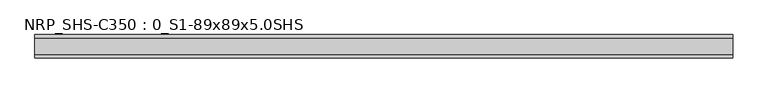
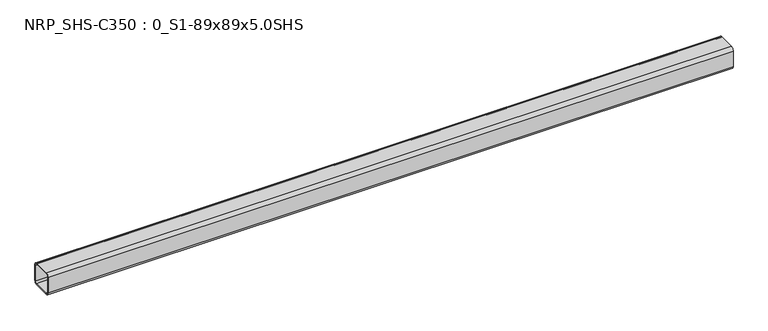
"""IFC4 building model written with IfcOpenShell, lengths in millimetres: beam geometry, NRP_SHS-C350 : 0_S1-89x89x5.0SHS."""

import ifcopenshell
import ifcopenshell.guid

model = None  # the IFC model being written
_history = None  # IfcOwnerHistory: only IFC2X3 demands one
_inside = {}  # id of a spatial element -> (the spatial element, [elements in it])
_under = {}  # id of a project, library or spatial element -> (it, [spatial elements below it])
_declared = {}  # id of a project -> (the project, [libraries it declares])
_typed = {}  # id of a type object -> (the type object, [elements of that type])
_made_of = {}  # id of a material, layer set ... -> (it, [elements and type objects made of it])


def new_model(schema):
    """Start an empty IFC model of exactly this schema.

    Asked for "IFC4X3", IfcOpenShell would pick the latest addendum, in which some entities
    have other attributes; the version numbers below select the first issue.
    IFC2X3 requires an IfcOwnerHistory on every rooted entity: one is made here for all.
    """
    global model, _history
    if schema == "IFC4X3":
        model = ifcopenshell.file(schema_version=(4, 3, 0, 0))
    else:
        model = ifcopenshell.file(schema=schema)
    _inside.clear()
    _under.clear()
    _declared.clear()
    _typed.clear()
    _made_of.clear()
    _history = None
    if model.schema == "IFC2X3":
        org = make("IfcOrganization", Name="unknown")
        user = make(
            "IfcPersonAndOrganization",
            ThePerson=make("IfcPerson", FamilyName="unknown"),
            TheOrganization=org,
        )
        app = make(
            "IfcApplication",
            ApplicationDeveloper=org,
            Version="unknown",
            ApplicationFullName="unknown",
            ApplicationIdentifier="unknown",
        )
        _history = make(
            "IfcOwnerHistory",
            OwningUser=user,
            OwningApplication=app,
            ChangeAction="ADDED",
            CreationDate=0,
        )
    return model


def make(cls, **values):
    """One entity of the class cls with the attributes given. An attribute that is None is left unset."""
    return model.create_entity(
        cls, **{name: value for name, value in values.items() if value is not None}
    )


def rooted(cls, **values):
    """An entity with a GlobalId (a new one), such as an element, a storey or a relation."""
    return make(cls, GlobalId=ifcopenshell.guid.new(), OwnerHistory=_history, **values)


def si_unit(unit_type, name, prefix=None):
    """IfcSIUnit, for example si_unit("LENGTHUNIT", "METRE", prefix="MILLI")."""
    return make("IfcSIUnit", UnitType=unit_type, Prefix=prefix, Name=name)


def assignment(units):
    """IfcUnitAssignment: the units of a project."""
    return None if units is None else make("IfcUnitAssignment", Units=units)


def point(xyz):
    """IfcCartesianPoint."""
    return None if xyz is None else make("IfcCartesianPoint", Coordinates=xyz)


def direction(xyz):
    """IfcDirection."""
    return None if xyz is None else make("IfcDirection", DirectionRatios=xyz)


def frame(location, z_axis=None, x_axis=None):
    """IfcAxis2Placement3D, a coordinate frame: its origin and axes. An axis left out is left unset."""
    return make(
        "IfcAxis2Placement3D",
        Location=point(location),
        Axis=direction(z_axis),
        RefDirection=direction(x_axis),
    )


def frame_2d(location, x_axis=None):
    """IfcAxis2Placement2D, a coordinate frame in the plane: its origin and x axis."""
    return make(
        "IfcAxis2Placement2D", Location=point(location), RefDirection=direction(x_axis)
    )


def origin():
    """The frame at (0, 0, 0) with its axes left unset."""
    return frame((0.0, 0.0, 0.0))


def place(relative_to, where):
    """IfcLocalPlacement: puts the frame where relative to a parent placement (None: the world)."""
    return make(
        "IfcLocalPlacement", PlacementRelTo=relative_to, RelativePlacement=where
    )


def context(
    kind, dimensions, precision=None, world=None, true_north=None, identifier=None
):
    """IfcGeometricRepresentationContext, for example the 3D "Model" context."""
    return make(
        "IfcGeometricRepresentationContext",
        ContextIdentifier=identifier,
        ContextType=kind,
        CoordinateSpaceDimension=dimensions,
        Precision=precision,
        WorldCoordinateSystem=world,
        TrueNorth=true_north,
    )


def project(units=None, contexts=None):
    """IfcProject with its units and contexts."""
    return rooted(
        "IfcProject",
        Name="project",
        RepresentationContexts=contexts,
        UnitsInContext=assignment(units),
    )


def spatial(cls, under=None, at=None, **own):
    """A site, building, storey or space (cls), placed at a placement, below another one or the project."""
    s = rooted(cls, ObjectPlacement=at, **own)
    if under is not None:
        _under.setdefault(under.id(), (under, []))[1].append(s)
    return s


def polyline(points):
    """IfcPolyline through the points."""
    return make("IfcPolyline", Points=[point(p) for p in points])


def circle_curve(where, radius):
    """IfcCircle in the frame where."""
    return make("IfcCircle", Position=where, Radius=radius)


def trimmed(basis, trim1, trim2, sense, master):
    """IfcTrimmedCurve: the piece of a basis curve between two trims."""
    return make(
        "IfcTrimmedCurve",
        BasisCurve=basis,
        Trim1=trim1,
        Trim2=trim2,
        SenseAgreement=sense,
        MasterRepresentation=master,
    )


def segment(curve, same_sense, transition):
    """IfcCompositeCurveSegment."""
    return make(
        "IfcCompositeCurveSegment",
        Transition=transition,
        SameSense=same_sense,
        ParentCurve=curve,
    )


def composite_curve(segments, self_intersect=None):
    """IfcCompositeCurve: segments joined end to end."""
    return make("IfcCompositeCurve", Segments=segments, SelfIntersect=self_intersect)


def outline(outer, holes=None, kind="AREA"):
    """IfcArbitraryClosedProfileDef: a profile drawn as a closed curve; with holes, ...WithVoids."""
    if holes is None:
        return make("IfcArbitraryClosedProfileDef", ProfileType=kind, OuterCurve=outer)
    return make(
        "IfcArbitraryProfileDefWithVoids",
        ProfileType=kind,
        OuterCurve=outer,
        InnerCurves=holes,
    )


def extrude(swept, where, along, depth):
    """IfcExtrudedAreaSolid: the profile swept, set in the frame where, extruded along a direction by depth."""
    return make(
        "IfcExtrudedAreaSolid",
        SweptArea=swept,
        Position=where,
        ExtrudedDirection=direction(along),
        Depth=depth,
    )


def shape(context_of_items, identifier, shape_type, items):
    """IfcShapeRepresentation: the items that make up one representation, for example the "Body"."""
    return make(
        "IfcShapeRepresentation",
        ContextOfItems=context_of_items,
        RepresentationIdentifier=identifier,
        RepresentationType=shape_type,
        Items=items,
    )


def source(mapping_origin, context_of_items, identifier, shape_type, items):
    """IfcRepresentationMap: a shape defined once, which mapped items show again and again."""
    return make(
        "IfcRepresentationMap",
        MappingOrigin=mapping_origin,
        MappedRepresentation=shape(context_of_items, identifier, shape_type, items),
    )


def transform(
    local_origin,
    x_axis=None,
    y_axis=None,
    z_axis=None,
    scale=None,
    scale2=None,
    scale3=None,
    uniform=True,
):
    """IfcCartesianTransformationOperator3D, or its non-uniform kind. x_axis, y_axis, z_axis: its Axis1, 2, 3."""
    if uniform:
        return make(
            "IfcCartesianTransformationOperator3D",
            Axis1=direction(x_axis),
            Axis2=direction(y_axis),
            LocalOrigin=point(local_origin),
            Scale=scale,
            Axis3=direction(z_axis),
        )
    return make(
        "IfcCartesianTransformationOperator3DnonUniform",
        Axis1=direction(x_axis),
        Axis2=direction(y_axis),
        LocalOrigin=point(local_origin),
        Scale=scale,
        Axis3=direction(z_axis),
        Scale2=scale2,
        Scale3=scale3,
    )


def mapped(mapping_source, mapping_target):
    """IfcMappedItem: shows the shape of a source again, moved by a transform."""
    return make(
        "IfcMappedItem", MappingSource=mapping_source, MappingTarget=mapping_target
    )


def made_of(thing, what):
    """Note that an element or type object is made of a material, layer set ...; save() writes the relation."""
    if what is not None:
        _made_of.setdefault(what.id(), (what, []))[1].append(thing)
    return thing


def element(
    cls,
    number,
    at=None,
    inside=None,
    cuts=None,
    type_object=None,
    material=None,
    context=None,
    identifier="Body",
    shape_type=None,
    held_by="IfcProductDefinitionShape",
    body=None,
    shapes=None,
    **own,
):
    """One element of the class cls, such as IfcWall. Its Tag is "e" and its number.

    at: its placement. inside: the storey or other place that contains it. cuts: it is an
    opening in that element (IfcRelVoidsElement). A single representation is given by context,
    identifier, shape_type and body (its items); several are given by shapes. held_by: the class
    of the entity that holds the representations. save() writes the other relations.
    """
    e = rooted(cls, Tag="e%d" % number, ObjectPlacement=at, **own)
    if body is not None:
        shapes = [shape(context, identifier, shape_type, body)]
    if shapes is not None:
        e.Representation = make(held_by, Representations=shapes)
    if inside is not None:
        _inside.setdefault(inside.id(), (inside, []))[1].append(e)
    if cuts is not None:
        rooted(
            "IfcRelVoidsElement", RelatingBuildingElement=cuts, RelatedOpeningElement=e
        )
    if type_object is not None:
        _typed.setdefault(type_object.id(), (type_object, []))[1].append(e)
    return made_of(e, material)


def aggregate(whole, parts):
    """IfcRelAggregates: a whole, such as a stair, and the parts it consists of."""
    return rooted("IfcRelAggregates", RelatingObject=whole, RelatedObjects=parts)


def save(model, path):
    """Write the relations noted so far, then the file.

    IfcRelAggregates (storeys below a building ...), IfcRelContainedInSpatialStructure (elements
    in a storey), IfcRelDefinesByType, IfcRelAssociatesMaterial and IfcRelDeclares: one each for
    every whole, place, type object, material and project.
    """
    for whole, parts in _under.values():
        aggregate(whole, parts)
    for where, things in _inside.values():
        rooted(
            "IfcRelContainedInSpatialStructure",
            RelatedElements=things,
            RelatingStructure=where,
        )
    for kind, things in _typed.values():
        rooted("IfcRelDefinesByType", RelatedObjects=things, RelatingType=kind)
    for what, things in _made_of.values():
        rooted("IfcRelAssociatesMaterial", RelatedObjects=things, RelatingMaterial=what)
    for by, libraries in _declared.values():
        rooted("IfcRelDeclares", RelatingContext=by, RelatedDefinitions=libraries)
    model.write(path)


def nrp_shs_c350_0_s1_89x89x5_0shs_6f3d85fd(model_context):
    return source(origin(), model_context, "Body", "SweptSolid", [
        extrude(outline(composite_curve([segment(polyline([(44.5, 32.0), (44.5, -32.0)]), True, "CONTINUOUS"), segment(trimmed(circle_curve(frame_2d((32.0, -32.0)), 12.5), [point((44.5, -32.0))], [point((32.0, -44.5))], False, "CARTESIAN"), True, "CONTINUOUS"), segment(polyline([(32.0, -44.5), (-32.0, -44.5)]), True, "CONTINUOUS"), segment(trimmed(circle_curve(frame_2d((-32.0, -32.0)), 12.5), [point((-32.0, -44.5))], [point((-44.5, -32.0))], False, "CARTESIAN"), True, "CONTINUOUS"), segment(polyline([(-44.5, -32.0), (-44.5, 32.0)]), True, "CONTINUOUS"), segment(trimmed(circle_curve(frame_2d((-32.0, 32.0)), 12.5), [point((-44.5, 32.0))], [point((-32.0, 44.5))], False, "CARTESIAN"), True, "CONTINUOUS"), segment(polyline([(-32.0, 44.5), (32.0, 44.5)]), True, "CONTINUOUS"), segment(trimmed(circle_curve(frame_2d((32.0, 32.0)), 12.5), [point((32.0, 44.5))], [point((44.5, 32.0))], False, "CARTESIAN"), True, "CONTINUOUS")], self_intersect=False), holes=[composite_curve([segment(trimmed(circle_curve(frame_2d((-32.0, 32.0)), 7.5), [point((-32.0, 39.5))], [point((-39.5, 32.0))], True, "CARTESIAN"), True, "CONTINUOUS"), segment(polyline([(-39.5, 32.0), (-39.5, -32.0)]), True, "CONTINUOUS"), segment(trimmed(circle_curve(frame_2d((-32.0, -32.0)), 7.5), [point((-39.5, -32.0))], [point((-32.0, -39.5))], True, "CARTESIAN"), True, "CONTINUOUS"), segment(polyline([(-32.0, -39.5), (32.0, -39.5)]), True, "CONTINUOUS"), segment(trimmed(circle_curve(frame_2d((32.0, -32.0)), 7.5), [point((32.0, -39.5))], [point((39.5, -32.0))], True, "CARTESIAN"), True, "CONTINUOUS"), segment(polyline([(39.5, -32.0), (39.5, 32.0)]), True, "CONTINUOUS"), segment(trimmed(circle_curve(frame_2d((32.0, 32.0)), 7.5), [point((39.5, 32.0))], [point((32.0, 39.5))], True, "CARTESIAN"), True, "CONTINUOUS"), segment(polyline([(32.0, 39.5), (-32.0, 39.5)]), True, "CONTINUOUS")], self_intersect=False)]), frame((-1279.5, 0.0, 0.0), z_axis=(1.0, 0.0, 0.0), x_axis=(0.0, 1.0, 0.0)), (0.0, 0.0, 1.0), 2668.0),
    ])


if __name__ == "__main__":
    model = new_model("IFC4")
    model_context = context("Model", 3, world=origin())
    ifc_project = project(units=[si_unit("LENGTHUNIT", "METRE", prefix="MILLI")], contexts=[model_context])
    site = spatial("IfcSite", under=ifc_project)
    building = spatial("IfcBuilding", under=site)
    placement = place(None, origin())
    nrp_shs_c350_0_s1_89x89x5_0shs_shape = nrp_shs_c350_0_s1_89x89x5_0shs_6f3d85fd(model_context)
    element("IfcBeam", 1, ObjectType="NRP_SHS-C350 : 0_S1-89x89x5.0SHS", at=placement, inside=building, context=model_context, shape_type="MappedRepresentation", body=[
        mapped(nrp_shs_c350_0_s1_89x89x5_0shs_shape, transform((0.0, 0.0, 0.0), x_axis=(1.0, 0.0, 0.0), y_axis=(0.0, 1.0, 0.0), z_axis=(0.0, 0.0, 1.0))),
    ])
    save(model, "model.ifc")
